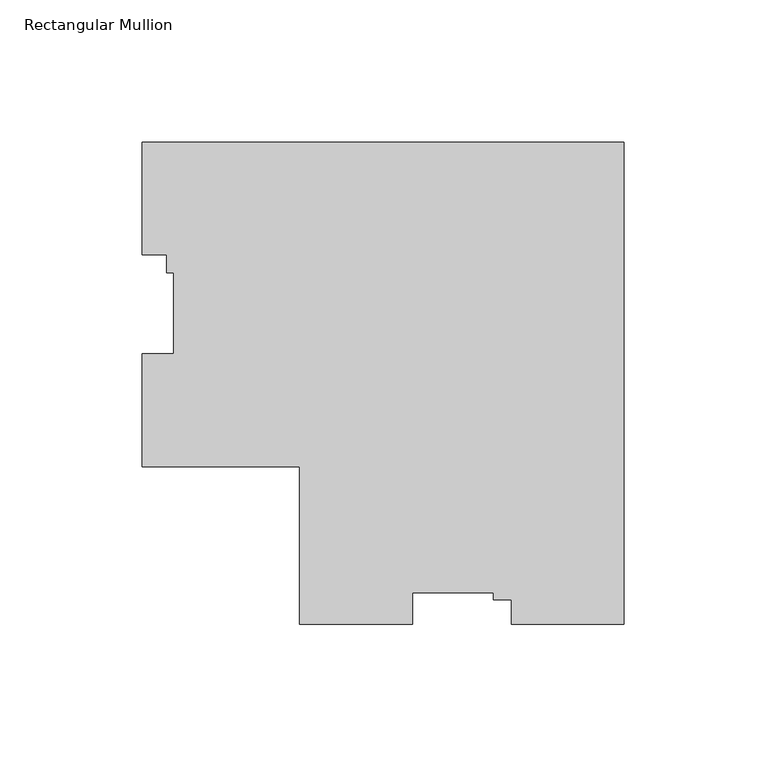
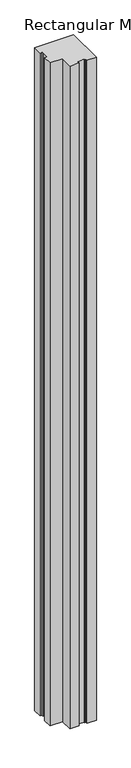
"""IFC4 building model written with IfcOpenShell, lengths in millimetres: member geometry, Rectangular Mullion."""

from ifc_helpers import new_model, si_unit, frame, origin, place, context, project, spatial, polyline, outline, extrude, source, transform, mapped, element, save


def rectangular_mullion_a5895856(model_context):
    return source(origin(), model_context, "Body", "SweptSolid", [
        extrude(outline(polyline([(0.0, 114.271425), (0.0, -55.591075), (-39.6748, -55.591075), (-39.6748, -46.853475), (-46.0248, -46.853475), (-46.0248, -44.478575), (-74.6252, -44.478575), (-74.6252, -55.591075), (-114.3, -55.591075), (-114.3, -0.028575), (-169.8625, -0.028575), (-169.8625, 39.646225), (-158.75, 39.646225), (-158.75, 68.246625), (-161.1249, 68.246625), (-161.1249, 74.596625), (-169.8625, 74.596625), (-169.8625, 114.271425), (0.0, 114.271425)])), frame((0.0, 0.0, -3048.0), z_axis=(0.0, 0.0, 1.0), x_axis=(1.0, 0.0, 0.0)), (0.0, 0.0, 1.0), 3048.0),
    ])


if __name__ == "__main__":
    model = new_model("IFC4")
    model_context = context("Model", 3, world=origin())
    ifc_project = project(units=[si_unit("LENGTHUNIT", "METRE", prefix="MILLI")], contexts=[model_context])
    site = spatial("IfcSite", under=ifc_project)
    building = spatial("IfcBuilding", under=site)
    placement = place(None, origin())
    rectangular_mullion_shape = rectangular_mullion_a5895856(model_context)
    element("IfcMember", 1, ObjectType="Rectangular Mullion", at=placement, inside=building, context=model_context, shape_type="MappedRepresentation", body=[
        mapped(rectangular_mullion_shape, transform((0.0, 0.0, 0.0), x_axis=(1.0, 0.0, 0.0), y_axis=(0.0, 1.0, 0.0), z_axis=(0.0, 0.0, 1.0))),
    ])
    save(model, "model.ifc")
